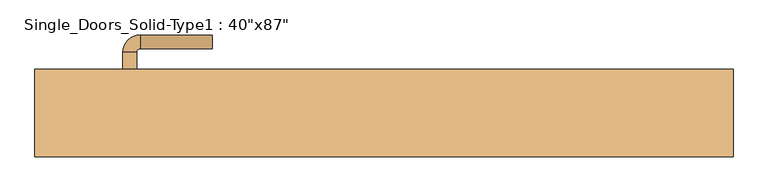
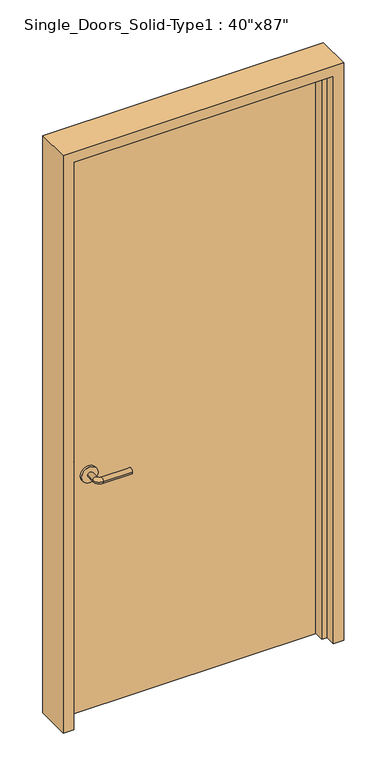
"""IFC4 building model written with IfcOpenShell, lengths in millimetres: door geometry."""

from ifc_helpers import new_model, si_unit, point, frame, frame_2d, origin, origin_with_axes, place, context, project, spatial, polyline, circle_curve, ellipse_curve, trimmed, segment, composite_curve, outline, extrude, faceted_brep, source, transform, mapped, element, save
from ifc_brep_helpers import plane_surface, cylinder_surface, revolved_surface, advanced_brep


def door_87215238(model_context):
    return source(origin(), model_context, "Body", "SolidModel", [
        advanced_brep(
        [(-379.9, 4.7, 900.0), (-359.9, 4.7, 900.0), (-359.9, -25.3, 900.0), (-379.9, -25.3, 900.0), (-354.9, -30.3, 900.0), (-354.9, -50.3, 900.0), (-249.9, -50.3, 900.0), (-249.9, -30.3, 900.0)],
        [
            (0, 1, circle_curve(frame((-369.9, 4.7, 900.0), z_axis=(0.0, 1.0, 0.0), x_axis=(1.0, 0.0, 0.0)), 10.0)),
            (1, 0, circle_curve(frame((-369.9, 4.7, 900.0), z_axis=(0.0, 1.0, 0.0), x_axis=(1.0, 0.0, 0.0)), 10.0)),
            (1, 2),
            (2, 3, circle_curve(frame((-369.9, -25.3, 900.0), z_axis=(0.0, 1.0, 0.0), x_axis=(1.0, 0.0, 0.0)), 10.0)),
            (3, 0),
            (3, 2, circle_curve(frame((-369.9, -25.3, 900.0), z_axis=(0.0, 1.0, 0.0), x_axis=(1.0, 0.0, 0.0)), 10.0)),
            (4, 5, circle_curve(frame((-354.9, -40.3, 900.0), z_axis=(-1.0, 0.0, 0.0), x_axis=(0.0, 1.0, 0.0)), 10.0)),
            (5, 3, circle_curve(frame((-354.9, -25.3, 900.0), z_axis=(0.0, 0.0, -1.0), x_axis=(-1.0, 0.0, 0.0)), 25.0)),
            (2, 4, circle_curve(frame((-354.9, -25.3, 900.0), z_axis=(0.0, 0.0, 1.0), x_axis=(-1.0, 0.0, 0.0)), 5.0)),
            (5, 4, circle_curve(frame((-354.9, -40.3, 900.0), z_axis=(-1.0, 0.0, 0.0), x_axis=(0.0, 1.0, 0.0)), 10.0)),
            (6, 7, circle_curve(frame((-249.9, -40.3, 900.0), z_axis=(1.0, 0.0, 0.0), x_axis=(0.0, 1.0, 0.0)), 10.0)),
            (7, 6, circle_curve(frame((-249.9, -40.3, 900.0), z_axis=(1.0, 0.0, 0.0), x_axis=(0.0, 1.0, 0.0)), 10.0)),
            (4, 7),
            (6, 5),
        ],
        [
            plane_surface(frame((-369.9, 4.7, 900.0), z_axis=(0.0, 1.0, 0.0), x_axis=(0.0, 0.0, 1.0))),
            cylinder_surface(frame((-369.9, 4.7, 900.0), z_axis=(0.0, 1.0, 0.0), x_axis=(1.0, 0.0, 0.0)), 10.0),
            revolved_surface(trimmed(ellipse_curve(frame((-369.9, -25.3, 900.0), z_axis=(0.0, -1.0, 0.0), x_axis=(1.0, 0.0, 0.0)), 10.0, 10.0), [point((-379.9, -25.3, 900.0))], [point((-359.9, -25.3, 900.0))], True, "CARTESIAN"), (-354.9, -25.3, 900.0), (0.0, 0.0, -1.0)),
            revolved_surface(trimmed(ellipse_curve(frame((-369.9, -25.3, 900.0), z_axis=(0.0, -1.0, 0.0), x_axis=(1.0, 0.0, 0.0)), 10.0, 10.0), [point((-359.9, -25.3, 900.0))], [point((-379.9, -25.3, 900.0))], True, "CARTESIAN"), (-354.9, -25.3, 900.0), (0.0, 0.0, -1.0)),
            plane_surface(frame((-249.9, -40.3, 900.0), z_axis=(1.0, 0.0, 0.0), x_axis=(0.0, 0.0, 1.0))),
            cylinder_surface(frame((-354.9, -40.3, 900.0), z_axis=(-1.0, 0.0, 0.0), x_axis=(0.0, 1.0, 0.0)), 10.0),
        ],
        [
            (0, [[1, 2]]),
            (1, [[3, 4, 5, -2]]),
            (1, [[-5, 6, -3, -1]]),
            (2, [[7, 8, -4, 9]]),
            (3, [[10, -9, -6, -8]]),
            (4, [[11, 12]]),
            (5, [[13, -11, 14, -7]]),
            (5, [[-14, -12, -13, -10]]),
        ],
    ),
        extrude(outline(composite_curve([segment(trimmed(circle_curve(frame_2d((900.0, -372.4)), 30.0), [point((900.0, -402.4))], [point((900.0, -342.4))], False, "CARTESIAN"), True, "CONTINUOUS"), segment(trimmed(circle_curve(frame_2d((900.0, -372.4)), 30.0), [point((900.0, -342.4))], [point((900.0, -402.4))], False, "CARTESIAN"), True, "CONTINUOUS")], self_intersect=False)), frame((0.0, 4.7, 0.0), z_axis=(0.0, 1.0, 0.0), x_axis=(0.0, 0.0, 1.0)), (0.0, 0.0, 1.0), 8.0),
        advanced_brep(
        [(-379.9, 58.8, 900.0), (-359.9, 58.8, 900.0), (-379.9, 88.8, 900.0), (-359.9, 88.8, 900.0), (-354.9, 93.8, 900.0), (-354.9, 113.8, 900.0), (-249.9, 113.8, 900.0), (-249.9, 93.8, 900.0)],
        [
            (0, 1, circle_curve(frame((-369.9, 58.8, 900.0), z_axis=(0.0, -1.0, 0.0), x_axis=(1.0, 0.0, 0.0)), 10.0)),
            (1, 0, circle_curve(frame((-369.9, 58.8, 900.0), z_axis=(0.0, -1.0, 0.0), x_axis=(1.0, 0.0, 0.0)), 10.0)),
            (0, 2),
            (2, 3, circle_curve(frame((-369.9, 88.8, 900.0), z_axis=(0.0, -1.0, 0.0), x_axis=(1.0, 0.0, 0.0)), 10.0)),
            (3, 1),
            (3, 2, circle_curve(frame((-369.9, 88.8, 900.0), z_axis=(0.0, -1.0, 0.0), x_axis=(1.0, 0.0, 0.0)), 10.0)),
            (4, 3, circle_curve(frame((-354.9, 88.8, 900.0), z_axis=(0.0, 0.0, 1.0), x_axis=(-1.0, 0.0, 0.0)), 5.0)),
            (2, 5, circle_curve(frame((-354.9, 88.8, 900.0), z_axis=(0.0, 0.0, -1.0), x_axis=(-1.0, 0.0, 0.0)), 25.0)),
            (5, 4, circle_curve(frame((-354.9, 103.8, 900.0), z_axis=(-1.0, 0.0, 0.0), x_axis=(0.0, -1.0, 0.0)), 10.0)),
            (4, 5, circle_curve(frame((-354.9, 103.8, 900.0), z_axis=(-1.0, 0.0, 0.0), x_axis=(0.0, -1.0, 0.0)), 10.0)),
            (6, 7, circle_curve(frame((-249.9, 103.8, 900.0), z_axis=(1.0, 0.0, 0.0), x_axis=(0.0, -1.0, 0.0)), 10.0)),
            (7, 6, circle_curve(frame((-249.9, 103.8, 900.0), z_axis=(1.0, 0.0, 0.0), x_axis=(0.0, -1.0, 0.0)), 10.0)),
            (5, 6),
            (7, 4),
        ],
        [
            plane_surface(frame((-369.9, 58.8, 900.0), z_axis=(0.0, -1.0, 0.0), x_axis=(0.0, 0.0, 1.0))),
            cylinder_surface(frame((-369.9, 58.8, 900.0), z_axis=(0.0, -1.0, 0.0), x_axis=(1.0, 0.0, 0.0)), 10.0),
            revolved_surface(trimmed(ellipse_curve(frame((-369.9, 88.8, 900.0), z_axis=(0.0, -1.0, 0.0), x_axis=(1.0, 0.0, 0.0)), 10.0, 10.0), [point((-379.9, 88.8, 900.0))], [point((-359.9, 88.8, 900.0))], True, "CARTESIAN"), (-354.9, 88.8, 900.0), (0.0, 0.0, -1.0)),
            revolved_surface(trimmed(ellipse_curve(frame((-369.9, 88.8, 900.0), z_axis=(0.0, -1.0, 0.0), x_axis=(1.0, 0.0, 0.0)), 10.0, 10.0), [point((-359.9, 88.8, 900.0))], [point((-379.9, 88.8, 900.0))], True, "CARTESIAN"), (-354.9, 88.8, 900.0), (0.0, 0.0, -1.0)),
            plane_surface(frame((-249.9, 103.8, 900.0), z_axis=(1.0, 0.0, 0.0), x_axis=(0.0, 0.0, 1.0))),
            cylinder_surface(frame((-354.9, 103.8, 900.0), z_axis=(-1.0, 0.0, 0.0), x_axis=(0.0, -1.0, 0.0)), 10.0),
        ],
        [
            (0, [[1, 2]]),
            (1, [[-1, 3, 4, 5]]),
            (1, [[-2, -5, 6, -3]]),
            (2, [[7, -4, 8, 9]]),
            (3, [[-8, -6, -7, 10]]),
            (4, [[11, 12]]),
            (5, [[-9, 13, -12, 14]]),
            (5, [[-10, -14, -11, -13]]),
        ],
    ),
        extrude(outline(composite_curve([segment(trimmed(circle_curve(frame_2d((900.0, -372.4)), 30.0), [point((900.0, -402.4))], [point((900.0, -342.4))], False, "CARTESIAN"), True, "CONTINUOUS"), segment(trimmed(circle_curve(frame_2d((900.0, -372.4)), 30.0), [point((900.0, -342.4))], [point((900.0, -402.4))], False, "CARTESIAN"), True, "CONTINUOUS")], self_intersect=False)), frame((0.0, 50.8, 0.0), z_axis=(0.0, 1.0, 0.0), x_axis=(0.0, 0.0, 1.0)), (0.0, 0.0, 1.0), 8.0),
        faceted_brep([(-508.0, -63.5, 0.0), (-508.0, 63.5, 0.0), (-469.9, 63.5, 0.0), (-469.9, 12.7, 0.0), (-449.9, 12.7, 0.0), (-449.9, -25.4, 0.0), (-469.9, -25.4, 0.0), (-469.9, -63.5, 0.0), (-508.0, -63.5, 2209.8), (-508.0, 63.5, 2209.8), (508.0, 63.5, 2209.8), (508.0, 63.5, 0.0), (469.9, 63.5, 0.0), (469.9, 63.5, 2171.7), (-469.9, 63.5, 2171.7), (-469.9, 12.7, 2171.7), (469.9, 12.7, 2171.7), (469.9, 12.7, 0.0), (449.9, 12.7, 0.0), (449.9, 12.7, 2151.7), (-449.9, 12.7, 2151.7), (-449.9, -25.4, 2151.7), (449.9, -25.4, 2151.7), (449.9, -25.4, 0.0), (469.9, -25.4, 0.0), (469.9, -25.4, 2171.7), (-469.9, -25.4, 2171.7), (-469.9, -63.5, 2171.7), (469.9, -63.5, 2171.7), (469.9, -63.5, 0.0), (508.0, -63.5, 0.0), (508.0, -63.5, 2209.8)], [[[0, 1, 2, 3, 4, 5, 6, 7]], [[1, 0, 8, 9]], [[2, 1, 9, 10, 11, 12, 13, 14]], [[3, 2, 14, 15]], [[4, 3, 15, 16, 17, 18, 19, 20]], [[5, 4, 20, 21]], [[6, 5, 21, 22, 23, 24, 25, 26]], [[7, 6, 26, 27]], [[0, 7, 27, 28, 29, 30, 31, 8]], [[10, 31, 30, 11]], [[30, 29, 24, 23, 18, 17, 12, 11]], [[16, 13, 12, 17]], [[22, 19, 18, 23]], [[28, 25, 24, 29]], [[9, 8, 31, 10]], [[15, 14, 13, 16]], [[21, 20, 19, 22]], [[27, 26, 25, 28]]]),
        extrude(outline(polyline([(469.9, 12.7), (-469.9, 12.7), (-469.9, 50.8), (469.9, 50.8), (469.9, 12.7)])), origin_with_axes(), (0.0, 0.0, 1.0), 2171.7),
    ])


if __name__ == "__main__":
    model = new_model("IFC4")
    model_context = context("Model", 3, world=origin())
    ifc_project = project(units=[si_unit("LENGTHUNIT", "METRE", prefix="MILLI")], contexts=[model_context])
    site = spatial("IfcSite", under=ifc_project)
    building = spatial("IfcBuilding", under=site)
    placement = place(None, origin())
    door_shape = door_87215238(model_context)
    element("IfcDoor", 1, ObjectType="Single_Doors_Solid-Type1 : 40\"x87\"", at=placement, inside=building, context=model_context, shape_type="MappedRepresentation", body=[
        mapped(door_shape, transform((0.0, 0.0, 0.0), x_axis=(1.0, 0.0, 0.0), y_axis=(0.0, 1.0, 0.0), z_axis=(0.0, 0.0, 1.0))),
    ])
    save(model, "model.ifc")
